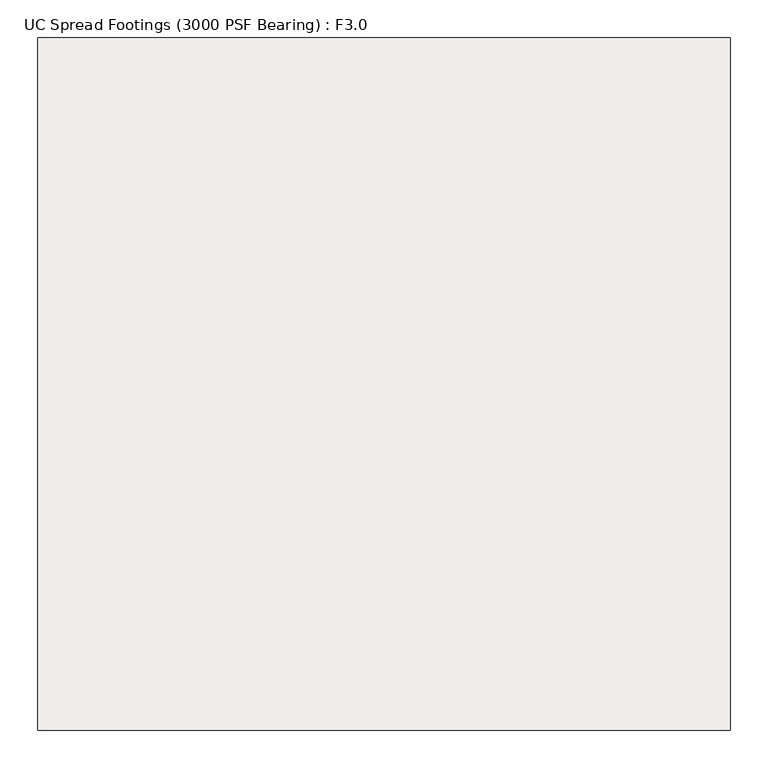
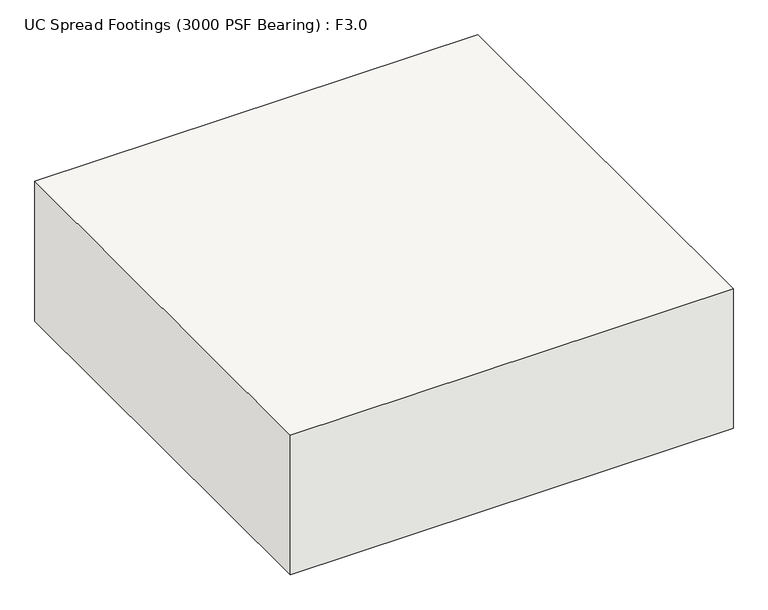
"""IFC4 building model written with IfcOpenShell, lengths in millimetres: slab geometry, UC Spread Footings (3000 PSF Bearing) : F3.0."""

from ifc_helpers import new_model, si_unit, frame, origin, place, context, project, spatial, polyline, outline, extrude, source, transform, mapped, element, save


def uc_spread_footings_3000_psf_bearing_f3_0_e1b4b68c(model_context):
    return source(origin(), model_context, "Body", "SweptSolid", [
        extrude(outline(polyline([(457.2, 457.2), (457.2, -457.2), (-457.2, -457.2), (-457.2, 457.2), (457.2, 457.2)])), frame((0.0, 0.0, -304.8), z_axis=(0.0, 0.0, 1.0), x_axis=(1.0, 0.0, 0.0)), (0.0, 0.0, 1.0), 304.8),
    ])


if __name__ == "__main__":
    model = new_model("IFC4")
    model_context = context("Model", 3, world=origin())
    ifc_project = project(units=[si_unit("LENGTHUNIT", "METRE", prefix="MILLI")], contexts=[model_context])
    site = spatial("IfcSite", under=ifc_project)
    building = spatial("IfcBuilding", under=site)
    placement = place(None, origin())
    uc_spread_footings_3000_psf_bearing_f3_0_shape = uc_spread_footings_3000_psf_bearing_f3_0_e1b4b68c(model_context)
    element("IfcSlab", 1, ObjectType="UC Spread Footings (3000 PSF Bearing) : F3.0", at=placement, inside=building, context=model_context, shape_type="MappedRepresentation", body=[
        mapped(uc_spread_footings_3000_psf_bearing_f3_0_shape, transform((0.0, 0.0, 0.0), x_axis=(1.0, 0.0, 0.0), y_axis=(0.0, 1.0, 0.0), z_axis=(0.0, 0.0, 1.0))),
    ])
    save(model, "model.ifc")
